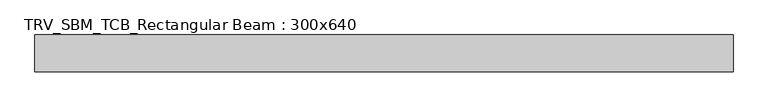
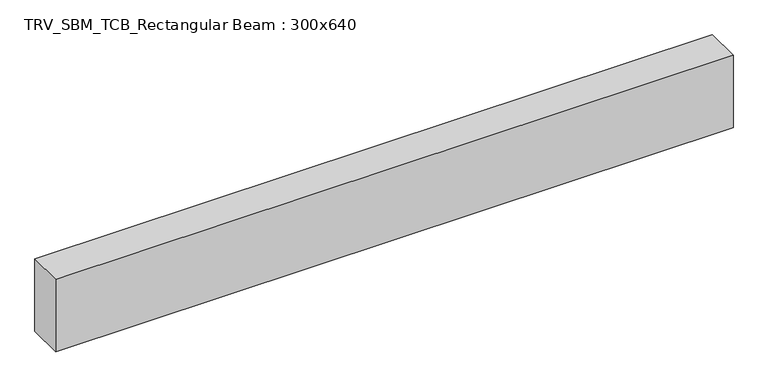
"""IFC4 building model written with IfcOpenShell, lengths in millimetres: beam geometry, TRV_SBM_TCB_Rectangular Beam : 300x640."""

from ifc_helpers import new_model, si_unit, frame, origin, place, context, project, spatial, polyline, outline, extrude, source, transform, mapped, element, save


def trv_sbm_tcb_rectangular_beam_300x640_f6fd6584(model_context):
    return source(origin(), model_context, "Body", "SweptSolid", [
        extrude(outline(polyline([(2836.2, 150.0), (2836.2, -150.0), (-2836.2, -150.0), (-2836.2, 150.0), (2836.2, 150.0)])), frame((0.0, 0.0, -320.0), z_axis=(0.0, 0.0, 1.0), x_axis=(1.0, 0.0, 0.0)), (0.0, 0.0, 1.0), 640.0),
    ])


if __name__ == "__main__":
    model = new_model("IFC4")
    model_context = context("Model", 3, world=origin())
    ifc_project = project(units=[si_unit("LENGTHUNIT", "METRE", prefix="MILLI")], contexts=[model_context])
    site = spatial("IfcSite", under=ifc_project)
    building = spatial("IfcBuilding", under=site)
    placement = place(None, origin())
    trv_sbm_tcb_rectangular_beam_300x640_shape = trv_sbm_tcb_rectangular_beam_300x640_f6fd6584(model_context)
    element("IfcBeam", 1, ObjectType="TRV_SBM_TCB_Rectangular Beam : 300x640", at=placement, inside=building, context=model_context, shape_type="MappedRepresentation", body=[
        mapped(trv_sbm_tcb_rectangular_beam_300x640_shape, transform((0.0, 0.0, 0.0), x_axis=(1.0, 0.0, 0.0), y_axis=(0.0, 1.0, 0.0), z_axis=(0.0, 0.0, 1.0))),
    ])
    save(model, "model.ifc")
